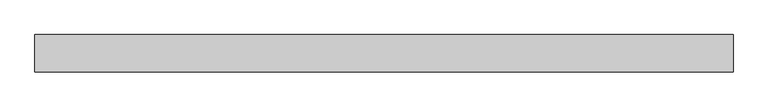
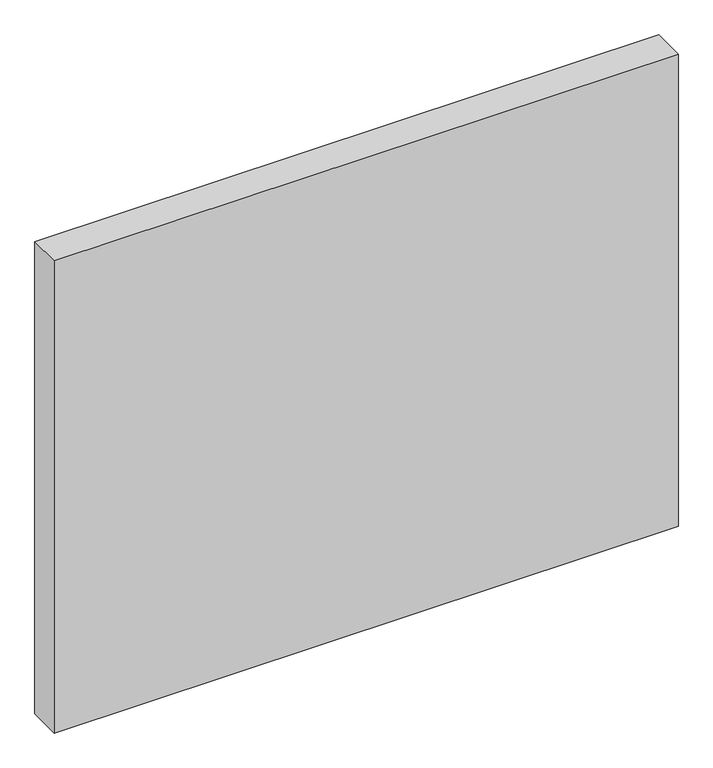
"""IFC4 building model written with IfcOpenShell, lengths in millimetres: proxy geometry."""

from ifc_helpers import new_model, si_unit, frame, origin, place, context, project, spatial, polyline, outline, extrude, source, transform, mapped, element, save


def generic_models_ecf577cf(model_context):
    return source(origin(), model_context, "Body", "SweptSolid", [
        extrude(outline(polyline([(1639.0, 0.0), (1639.0, -175.0), (-1639.0, -175.0), (-1639.0, 0.0), (1639.0, 0.0)])), frame((0.0, 0.0, -140.0), z_axis=(0.0, 0.0, 1.0), x_axis=(1.0, 0.0, 0.0)), (0.0, 0.0, 1.0), 2621.4),
    ])


if __name__ == "__main__":
    model = new_model("IFC4")
    model_context = context("Model", 3, world=origin())
    ifc_project = project(units=[si_unit("LENGTHUNIT", "METRE", prefix="MILLI")], contexts=[model_context])
    site = spatial("IfcSite", under=ifc_project)
    building = spatial("IfcBuilding", under=site)
    placement = place(None, origin())
    generic_models_shape = generic_models_ecf577cf(model_context)
    element("IfcBuildingElementProxy", 1, Name="Generic Models", at=placement, inside=building, context=model_context, shape_type="MappedRepresentation", body=[
        mapped(generic_models_shape, transform((0.0, 0.0, 0.0), x_axis=(1.0, 0.0, 0.0), y_axis=(0.0, 1.0, 0.0), z_axis=(0.0, 0.0, 1.0))),
    ])
    save(model, "model.ifc")
